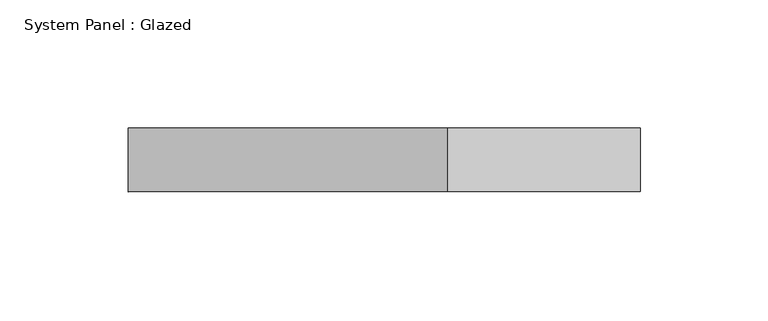
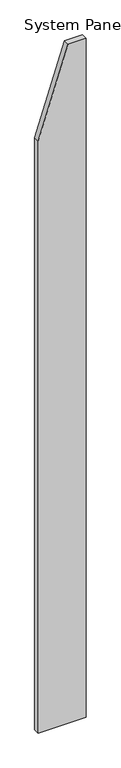
"""IFC4 building model written with IfcOpenShell, lengths in millimetres: plate geometry, System Panel : Glazed."""

from ifc_helpers import new_model, si_unit, frame, origin, place, context, project, spatial, polyline, outline, extrude, source, transform, mapped, element, save


def system_panel_glazed_a611eb5e(model_context):
    return source(origin(), model_context, "Body", "SweptSolid", [
        extrude(outline(polyline([(0.0, -100.0), (0.0, 100.0), (3000.0, 100.0), (3000.0, 24.9999997), (2615.3846163, -100.0), (0.0, -100.0)])), frame((0.0, 24.5, 0.0), z_axis=(0.0, 1.0, 0.0), x_axis=(0.0, 0.0, 1.0)), (0.0, 0.0, 1.0), 25.0),
    ])


if __name__ == "__main__":
    model = new_model("IFC4")
    model_context = context("Model", 3, world=origin())
    ifc_project = project(units=[si_unit("LENGTHUNIT", "METRE", prefix="MILLI")], contexts=[model_context])
    site = spatial("IfcSite", under=ifc_project)
    building = spatial("IfcBuilding", under=site)
    placement = place(None, origin())
    system_panel_glazed_shape = system_panel_glazed_a611eb5e(model_context)
    element("IfcPlate", 1, ObjectType="System Panel : Glazed", at=placement, inside=building, context=model_context, shape_type="MappedRepresentation", body=[
        mapped(system_panel_glazed_shape, transform((0.0, 0.0, 0.0), x_axis=(1.0, 0.0, 0.0), y_axis=(0.0, 1.0, 0.0), z_axis=(0.0, 0.0, 1.0))),
    ])
    save(model, "model.ifc")
